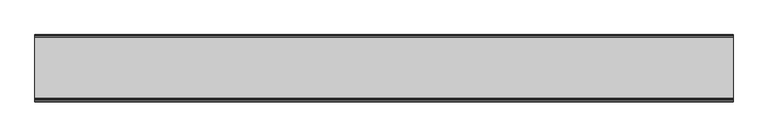
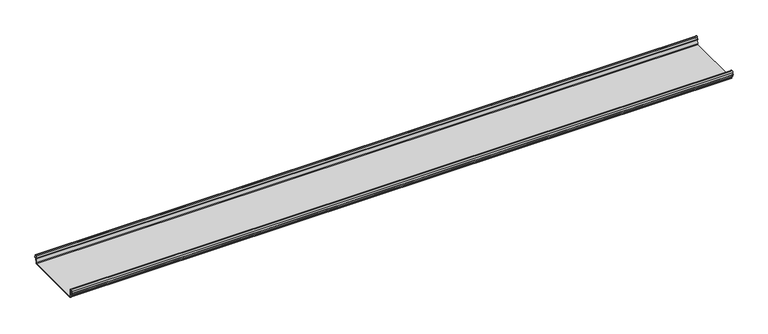
"""IFC4 building model written with IfcOpenShell, lengths in millimetres: beam geometry."""

from ifc_helpers import new_model, si_unit, frame, origin, place, context, project, spatial, polyline, circle_curve, source, transform, mapped, element, save
from ifc_brep_helpers import plane_surface, cylinder_surface, revolved_surface, advanced_brep


def beam_91bc92ca(model_context):
    return source(origin(), model_context, "Body", "AdvancedBrep", [
        advanced_brep(
        [(1838.3165514, 174.5298471, 17.4730576), (1838.3165514, 169.9958217, 21.2486363), (1838.3165514, 165.4890072, 17.6093124), (1838.3165514, 163.0420077, 6.2503755), (1838.3165514, 164.7006671, 3.7959761), (1838.3165514, 165.8698319, 2.0849359), (1838.3165514, 164.3793103, -21.3247551), (1838.3165514, 160.6848586, -24.7896475), (1838.3165514, -159.5640942, -24.7896475), (1838.3165514, -163.2568715, -21.3207217), (1838.3165514, -164.7263748, 2.1632779), (1838.3165514, -164.0984471, 3.0966958), (1838.3165514, -161.8868093, 6.1624874), (1838.3165514, -162.770348, 17.3389905), (1838.3165514, -170.0, 24.0196704), (1838.3165514, -177.229652, 17.3389905), (1838.3165514, -178.1131907, 6.1624874), (1838.3165514, -175.9015529, 3.0966958), (1838.3165514, -175.2736252, 2.1632779), (1838.3165514, -175.6653397, -4.0966758), (1838.3165514, -174.6633838, -4.0966758), (1838.3165514, -174.255975, 2.4140875), (1838.3165514, -175.661391, 4.0675496), (1838.3165514, -177.1158116, 6.08368), (1838.3165514, -176.2261211, 17.3379999), (1838.3165514, -170.0, 23.0196704), (1838.3165514, -163.767144, 17.2589936), (1838.3165514, -162.8795452, 6.0037927), (1838.3165514, -164.338609, 4.0675496), (1838.3165514, -165.744025, 2.4140875), (1838.3165514, -164.2549195, -21.3831743), (1838.3165514, -159.5640942, -25.7896475), (1838.3165514, 160.6846135, -25.7896475), (1838.3165514, 165.3772895, -21.3882975), (1838.3165514, 166.868024, 2.0247376), (1838.3165514, 164.9644432, 4.7613501), (1838.3165514, 164.0277999, 6.0779003), (1838.3165514, 166.4434849, 17.2822335), (1838.3165514, 170.0063307, 20.2496221), (1838.3165514, 173.4803249, 17.6539317), (1838.3165514, 175.5075757, 6.5459412), (1838.3165514, 176.5074356, 6.7299959), (-1838.3165514, 174.5298471, 17.4730576), (-1838.3165514, 176.5074356, 6.7299959), (-1838.3165514, 175.5075757, 6.5459412), (-1838.3165514, 173.4803249, 17.6539317), (-1838.3165514, 170.0063307, 20.2496221), (-1838.3165514, 166.4434849, 17.2822335), (-1838.3165514, 164.0277999, 6.0779003), (-1838.3165514, 164.9644432, 4.7613501), (-1838.3165514, 166.868024, 2.0247376), (-1838.3165514, 165.3772895, -21.3882975), (-1838.3165514, 160.6846135, -25.7896475), (-1838.3165514, -159.5640942, -25.7896475), (-1838.3165514, -164.2549195, -21.3831743), (-1838.3165514, -165.744025, 2.4140875), (-1838.3165514, -164.338609, 4.0675496), (-1838.3165514, -162.8795452, 6.0037927), (-1838.3165514, -163.767144, 17.2589936), (-1838.3165514, -170.0, 23.0196704), (-1838.3165514, -176.2261211, 17.3379999), (-1838.3165514, -177.1158116, 6.08368), (-1838.3165514, -175.661391, 4.0675496), (-1838.3165514, -174.255975, 2.4140875), (-1838.3165514, -174.6633838, -4.0966758), (-1838.3165514, -175.6653397, -4.0966758), (-1838.3165514, -175.2736252, 2.1632779), (-1838.3165514, -175.9015529, 3.0966958), (-1838.3165514, -178.1066021, 6.2458324), (-1838.3165514, -177.229652, 17.3389905), (-1838.3165514, -170.0, 24.0196704), (-1838.3165514, -162.770348, 17.3389905), (-1838.3165514, -161.8868093, 6.1624874), (-1838.3165514, -164.0984471, 3.0966958), (-1838.3165514, -164.7263748, 2.1632779), (-1838.3165514, -163.2568715, -21.3207217), (-1838.3165514, -159.5640942, -24.7896475), (-1838.3165514, 160.6848586, -24.7896475), (-1838.3165514, 164.3793103, -21.3247551), (-1838.3165514, 165.8698319, 2.0849359), (-1838.3165514, 164.7006671, 3.7959761), (-1838.3165514, 163.0420077, 6.2503755), (-1838.3165514, 165.4890072, 17.6093124), (-1838.3165514, 169.9958217, 21.2486363)],
        [
            (0, 1, circle_curve(frame((1838.3165514, 169.9958217, 16.6384317), z_axis=(1.0, 0.0, 0.0), x_axis=(0.0, 1.0, 0.0)), 4.6102046)),
            (1, 2, circle_curve(frame((1838.3165514, 169.9958217, 16.6384317), z_axis=(1.0, 0.0, 0.0), x_axis=(0.0, 0.2105938444020083, 0.9775736456656259)), 4.6102046)),
            (2, 3),
            (3, 4, circle_curve(frame((1838.3165514, 165.4262002, 6.073937), z_axis=(1.0, 0.0, 0.0), x_axis=(0.0, -0.9528378408797884, 0.30347989881958104)), 2.3907121)),
            (4, 5, circle_curve(frame((1838.3165514, 164.1897695, 2.1919074), z_axis=(-1.0, 0.0, 0.0), x_axis=(0.0, 0.06354246328302078, 0.9979791357337717)), 1.6834645)),
            (5, 6),
            (6, 7, circle_curve(frame((1838.3165514, 160.6867875, -21.089648), z_axis=(-1.0, 0.0, 0.0), x_axis=(0.0, 0.9999998641088232, -0.0005213274739325337)), 3.7)),
            (7, 8),
            (8, 9, circle_curve(frame((1838.3165514, -159.5640942, -21.0896475), z_axis=(-1.0, 0.0, 0.0), x_axis=(0.0, 0.062452508687223206, -0.9980479368039755)), 3.7)),
            (9, 10),
            (10, 11, circle_curve(frame((1838.3165514, -163.8044049, 2.2209698), z_axis=(-1.0, 0.0, 0.0), x_axis=(0.0, -0.9479881328261025, -0.31830567073314897)), 0.9237732)),
            (11, 12, circle_curve(frame((1838.3165514, -164.7984694, 5.9323112), z_axis=(1.0, 0.0, 0.0), x_axis=(0.0, 0.07880737243916666, -0.9968898625471294)), 2.9207441)),
            (12, 13),
            (13, 14, circle_curve(frame((1838.3165514, -170.0, 16.7674631), z_axis=(1.0, 0.0, 0.0), x_axis=(0.0, 1.0, 0.0)), 7.2522073)),
            (14, 15, circle_curve(frame((1838.3165514, -170.0, 16.7674631), z_axis=(1.0, 0.0, 0.0), x_axis=(0.0, 0.07880737243912425, 0.9968898625471327)), 7.2522073)),
            (15, 16),
            (16, 17, circle_curve(frame((1838.3165514, -175.2001089, 5.9344165), z_axis=(1.0, 0.0, 0.0), x_axis=(0.0, -0.9707819351134729, 0.2399634023290655)), 2.9231288)),
            (17, 18, circle_curve(frame((1838.3165514, -176.1025472, 2.2835649), z_axis=(-1.0, 0.0, 0.0), x_axis=(0.0, 0.14360843272178178, 0.9896345881441257)), 0.8376041)),
            (18, 19),
            (19, 20, circle_curve(frame((1838.3165514, -175.1643617, -4.0966758), z_axis=(1.0, 0.0, 0.0), x_axis=(0.0, 0.0, -1.0)), 0.5009779)),
            (20, 21),
            (21, 22, circle_curve(frame((1838.3165514, -176.1062911, 2.2653702), z_axis=(1.0, 0.0, 0.0), x_axis=(0.0, 0.9708537722163966, -0.23967259537375799)), 1.856283)),
            (22, 23, circle_curve(frame((1838.3165514, -175.2010412, 5.9323112), z_axis=(-1.0, 0.0, 0.0), x_axis=(0.0, -0.07880737243914376, -0.9968898625471312)), 1.9207441)),
            (23, 24),
            (24, 25, circle_curve(frame((1838.3165514, -170.0770494, 16.8518958), z_axis=(-1.0, 0.0, 0.0), x_axis=(0.0, -0.9999219808421378, 0.012491286112139365)), 6.1682558)),
            (25, 26, circle_curve(frame((1838.3165514, -170.0791743, 16.6817991), z_axis=(-1.0, 0.0, 0.0), x_axis=(0.0, -0.09106361391821856, 0.9958450774192508)), 6.3383658)),
            (26, 27),
            (27, 28, circle_curve(frame((1838.3165514, -164.70299, 5.8599936), z_axis=(-1.0, 0.0, 0.0), x_axis=(0.0, 0.9799562955839813, 0.19921259685401593)), 1.8291061)),
            (28, 29, circle_curve(frame((1838.3165514, -163.9886548, 2.3460727), z_axis=(1.0, 0.0, 0.0), x_axis=(0.0, 0.03871763325448635, 0.9992501913310655)), 1.7566874)),
            (29, 30),
            (30, 31, circle_curve(frame((1838.3165514, -159.5640942, -21.0896475), z_axis=(1.0, 0.0, 0.0), x_axis=(0.0, -1.0, 0.0)), 4.7)),
            (31, 32),
            (32, 33, circle_curve(frame((1838.3165514, 160.6846135, -21.0873301), z_axis=(1.0, 0.0, 0.0), x_axis=(0.0, -0.06400407594283139, -0.997949637137418)), 4.7023174)),
            (33, 34),
            (34, 35, circle_curve(frame((1838.3165514, 164.1939121, 2.1950013), z_axis=(1.0, 0.0, 0.0), x_axis=(0.0, 0.9577619201002135, -0.2875623487279797)), 2.6795268)),
            (35, 36, circle_curve(frame((1838.3165514, 165.0972859, 5.8473161), z_axis=(-1.0, 0.0, 0.0), x_axis=(0.0, -0.210759855052358, -0.9775378680635902)), 1.094061)),
            (36, 37),
            (37, 38, circle_curve(frame((1838.3165514, 170.0063307, 16.627032), z_axis=(-1.0, 0.0, 0.0), x_axis=(0.0, -1.0, 0.0)), 3.6225901)),
            (38, 39, circle_curve(frame((1838.3165514, 170.0063307, 16.627032), z_axis=(-1.0, 0.0, 0.0), x_axis=(0.0, -0.2834711363957483, 0.9589807687490417)), 3.6225901)),
            (39, 40),
            (40, 41, circle_curve(frame((1838.3165514, 176.0075057, 6.6379685), z_axis=(1.0, 0.0, 0.0), x_axis=(0.0, 0.18103878268247353, -0.9834759575937014)), 0.5083296)),
            (41, 0),
            (42, 43),
            (43, 44, circle_curve(frame((-1838.3165514, 176.0075057, 6.6379685), z_axis=(-1.0, 0.0, 0.0), x_axis=(0.0, 0.18103878268247353, -0.9834759575937014)), 0.5083296)),
            (44, 45),
            (45, 46, circle_curve(frame((-1838.3165514, 170.0063307, 16.627032), z_axis=(1.0, 0.0, 0.0), x_axis=(0.0, -0.2834711363957483, 0.9589807687490417)), 3.6225901)),
            (46, 47, circle_curve(frame((-1838.3165514, 170.0063307, 16.627032), z_axis=(1.0, 0.0, 0.0), x_axis=(0.0, -1.0, 0.0)), 3.6225901)),
            (47, 48),
            (48, 49, circle_curve(frame((-1838.3165514, 165.0972859, 5.8473161), z_axis=(1.0, 0.0, 0.0), x_axis=(0.0, -0.210759855052358, -0.9775378680635902)), 1.094061)),
            (49, 50, circle_curve(frame((-1838.3165514, 164.1939121, 2.1950013), z_axis=(-1.0, 0.0, 0.0), x_axis=(0.0, 0.9577619201002135, -0.2875623487279797)), 2.6795268)),
            (50, 51),
            (51, 52, circle_curve(frame((-1838.3165514, 160.6846135, -21.0873301), z_axis=(-1.0, 0.0, 0.0), x_axis=(0.0, -0.06400407594283139, -0.997949637137418)), 4.7023174)),
            (52, 53),
            (53, 54, circle_curve(frame((-1838.3165514, -159.5640942, -21.0896475), z_axis=(-1.0, 0.0, 0.0), x_axis=(0.0, -1.0, 0.0)), 4.7)),
            (54, 55),
            (55, 56, circle_curve(frame((-1838.3165514, -163.9886548, 2.3460727), z_axis=(-1.0, 0.0, 0.0), x_axis=(0.0, 0.03871763325448635, 0.9992501913310655)), 1.7566874)),
            (56, 57, circle_curve(frame((-1838.3165514, -164.70299, 5.8599936), z_axis=(1.0, 0.0, 0.0), x_axis=(0.0, 0.9799562955839813, 0.19921259685401593)), 1.8291061)),
            (57, 58),
            (58, 59, circle_curve(frame((-1838.3165514, -170.0791743, 16.6817991), z_axis=(1.0, 0.0, 0.0), x_axis=(0.0, -0.09106361391821856, 0.9958450774192508)), 6.3383658)),
            (59, 60, circle_curve(frame((-1838.3165514, -170.0770494, 16.8518958), z_axis=(1.0, 0.0, 0.0), x_axis=(0.0, -0.9999219808421378, 0.012491286112139365)), 6.1682558)),
            (60, 61),
            (61, 62, circle_curve(frame((-1838.3165514, -175.2010412, 5.9323112), z_axis=(1.0, 0.0, 0.0), x_axis=(0.0, -0.07880737243914376, -0.9968898625471312)), 1.9207441)),
            (62, 63, circle_curve(frame((-1838.3165514, -176.1062911, 2.2653702), z_axis=(-1.0, 0.0, 0.0), x_axis=(0.0, 0.9708537722163966, -0.23967259537375799)), 1.856283)),
            (63, 64),
            (64, 65, circle_curve(frame((-1838.3165514, -175.1643617, -4.0966758), z_axis=(-1.0, 0.0, 0.0), x_axis=(0.0, 0.0, -1.0)), 0.5009779)),
            (65, 66),
            (66, 67, circle_curve(frame((-1838.3165514, -176.1025472, 2.2835649), z_axis=(1.0, 0.0, 0.0), x_axis=(0.0, 0.14360843272178178, 0.9896345881441257)), 0.8376041)),
            (67, 68, circle_curve(frame((-1838.3165514, -175.2001089, 5.9344165), z_axis=(-1.0, 0.0, 0.0), x_axis=(0.0, -0.9707819351134729, 0.2399634023290655)), 2.9231288)),
            (68, 69),
            (69, 70, circle_curve(frame((-1838.3165514, -170.0, 16.7674631), z_axis=(-1.0, 0.0, 0.0), x_axis=(0.0, 0.07880737243912425, 0.9968898625471327)), 7.2522073)),
            (70, 71, circle_curve(frame((-1838.3165514, -170.0, 16.7674631), z_axis=(-1.0, 0.0, 0.0), x_axis=(0.0, 1.0, 0.0)), 7.2522073)),
            (71, 72),
            (72, 73, circle_curve(frame((-1838.3165514, -164.7984694, 5.9323112), z_axis=(-1.0, 0.0, 0.0), x_axis=(0.0, 0.07880737243916666, -0.9968898625471294)), 2.9207441)),
            (73, 74, circle_curve(frame((-1838.3165514, -163.8044049, 2.2209698), z_axis=(1.0, 0.0, 0.0), x_axis=(0.0, -0.9479881328261025, -0.31830567073314897)), 0.9237732)),
            (74, 75),
            (75, 76, circle_curve(frame((-1838.3165514, -159.5640942, -21.0896475), z_axis=(1.0, 0.0, 0.0), x_axis=(0.0, 0.062452508687223206, -0.9980479368039755)), 3.7)),
            (76, 77),
            (77, 78, circle_curve(frame((-1838.3165514, 160.6867875, -21.089648), z_axis=(1.0, 0.0, 0.0), x_axis=(0.0, 0.9999998641088232, -0.0005213274739325337)), 3.7)),
            (78, 79),
            (79, 80, circle_curve(frame((-1838.3165514, 164.1897695, 2.1919074), z_axis=(1.0, 0.0, 0.0), x_axis=(0.0, 0.06354246328302078, 0.9979791357337717)), 1.6834645)),
            (80, 81, circle_curve(frame((-1838.3165514, 165.4262002, 6.073937), z_axis=(-1.0, 0.0, 0.0), x_axis=(0.0, -0.9528378408797884, 0.30347989881958104)), 2.3907121)),
            (81, 82),
            (82, 83, circle_curve(frame((-1838.3165514, 169.9958217, 16.6384317), z_axis=(-1.0, 0.0, 0.0), x_axis=(0.0, 0.2105938444020083, 0.9775736456656259)), 4.6102046)),
            (83, 42, circle_curve(frame((-1838.3165514, 169.9958217, 16.6384317), z_axis=(-1.0, 0.0, 0.0), x_axis=(0.0, 1.0, 0.0)), 4.6102046)),
            (42, 0),
            (41, 43),
            (40, 44),
            (39, 45),
            (38, 46),
            (37, 47),
            (36, 48),
            (35, 49),
            (34, 50),
            (33, 51),
            (32, 52),
            (31, 53),
            (30, 54),
            (29, 55),
            (28, 56),
            (27, 57),
            (26, 58),
            (25, 59),
            (24, 60),
            (23, 61),
            (22, 62),
            (21, 63),
            (20, 64),
            (19, 65),
            (18, 66),
            (17, 67),
            (16, 68),
            (15, 69),
            (14, 70),
            (13, 71),
            (12, 72),
            (11, 73),
            (10, 74),
            (9, 75),
            (8, 76),
            (7, 77),
            (6, 78),
            (5, 79),
            (4, 80),
            (3, 81),
            (2, 82),
            (1, 83),
        ],
        [
            plane_surface(frame((1838.3165514, 176.5074356, 6.7299959), z_axis=(1.0000000000000002, 0.0, 0.0), x_axis=(0.0, -0.18103878268248824, 0.9834759575936989))),
            plane_surface(frame((-1838.3165514, 176.5074356, 6.7299959), z_axis=(-1.0000000000000002, 0.0, 0.0), x_axis=(0.0, 0.18103878268248824, -0.9834759575936989))),
            plane_surface(frame((1838.3165514, 175.5186413, 12.1015267), z_axis=(0.0, 0.9834759575937931, 0.18103878268197598), x_axis=(0.0, 0.18103878268197598, -0.9834759575937931))),
            cylinder_surface(frame((1838.3165514, 176.0075057, 6.6379685), z_axis=(-1.0, 0.0, 0.0), x_axis=(0.0, 0.18103878268247353, -0.9834759575937014)), 0.5083296),
            plane_surface(frame((1838.3165514, 174.4939503, 12.0999365), z_axis=(0.0, -0.9837509798366516, -0.17953832368168063), x_axis=(0.0, -0.17953832368168063, 0.9837509798366516))),
            revolved_surface(polyline([(-1838.3165514, 168.979430967657, 20.101026238960667), (1838.3165514, 168.979430967657, 20.101026238960667)]), (1838.3165514, 170.0063307, 16.627032), (-1.0, 0.0, 0.0)),
            revolved_surface(polyline([(-1838.3165514, 166.3837406, 16.627032), (1838.3165514, 166.3837406, 16.627032)]), (1838.3165514, 170.0063307, 16.627032), (-1.0, 0.0, 0.0)),
            plane_surface(frame((1838.3165514, 165.2356424, 11.6800669), z_axis=(0.0, 0.9775378680634891, -0.2107598550528272), x_axis=(0.0, -0.2107598550528272, -0.9775378680634891))),
            revolved_surface(polyline([(-1838.3165514, 164.86670176222157, 4.77783004252848), (1838.3165514, 164.86670176222157, 4.77783004252848)]), (1838.3165514, 165.0972859, 5.8473161), (-1.0, 0.0, 0.0)),
            cylinder_surface(frame((1838.3165514, 164.1939121, 2.1950013), z_axis=(-1.0, 0.0, 0.0), x_axis=(0.0, 0.9577619201002135, -0.2875623487279797)), 2.6795268),
            plane_surface(frame((1838.3165514, 166.1226567, -9.68178), z_axis=(0.0, 0.9979791357337514, -0.06354246328334037), x_axis=(0.0, -0.06354246328334037, -0.9979791357337514))),
            cylinder_surface(frame((1838.3165514, 160.6846135, -21.0873301), z_axis=(-1.0, 0.0, 0.0), x_axis=(0.0, -0.06400407594283139, -0.997949637137418)), 4.7023174),
            plane_surface(frame((1838.3165514, 0.5602597, -25.7896475), z_axis=(0.0, 0.0, -1.0), x_axis=(0.0, -1.0, 0.0))),
            cylinder_surface(frame((1838.3165514, -159.5640942, -21.0896475), z_axis=(-1.0, 0.0, 0.0), x_axis=(0.0, -1.0, 0.0)), 4.7),
            plane_surface(frame((1838.3165514, -164.9994722, -9.4845434), z_axis=(0.0, -0.99804793680396, -0.06245250868747398), x_axis=(0.0, -0.06245250868747398, 0.99804793680396))),
            cylinder_surface(frame((1838.3165514, -163.9886548, 2.3460727), z_axis=(-1.0, 0.0, 0.0), x_axis=(0.0, 0.03871763325448635, 0.9992501913310655)), 1.7566874),
            revolved_surface(polyline([(-1838.3165514, -162.91054596201394, 6.224374576102521), (1838.3165514, -162.91054596201394, 6.224374576102521)]), (1838.3165514, -164.70299, 5.8599936), (-1.0, 0.0, 0.0)),
            plane_surface(frame((1838.3165514, -163.3233446, 11.6313931), z_axis=(0.0, -0.9969048840807634, -0.07861712342689589), x_axis=(0.0, -0.07861712342689589, 0.9969048840807634))),
            revolved_surface(polyline([(-1838.3165514, -170.65636879608365, 22.99382948081253), (1838.3165514, -170.65636879608365, 22.99382948081253)]), (1838.3165514, -170.0791743, 16.6817991), (-1.0, 0.0, 0.0)),
            revolved_surface(polyline([(-1838.3165514, -176.244823957877, 16.928945248010663), (1838.3165514, -176.244823957877, 16.928945248010663)]), (1838.3165514, -170.0770494, 16.8518958), (-1.0, 0.0, 0.0)),
            plane_surface(frame((1838.3165514, -176.6709664, 11.71084), z_axis=(0.0, 0.9968898625470921, -0.07880737243963815), x_axis=(0.0, -0.07880737243963815, -0.9968898625470921))),
            revolved_surface(polyline([(-1838.3165514, -175.35240999564897, 4.017540878162787), (1838.3165514, -175.35240999564897, 4.017540878162787)]), (1838.3165514, -175.2010412, 5.9323112), (-1.0, 0.0, 0.0)),
            cylinder_surface(frame((1838.3165514, -176.1062911, 2.2653702), z_axis=(-1.0, 0.0, 0.0), x_axis=(0.0, 0.9708537722163966, -0.23967259537375799)), 1.856283),
            plane_surface(frame((1838.3165514, -174.4596794, -0.8412941), z_axis=(0.0, 0.9980479368039222, -0.06245250868807452), x_axis=(0.0, -0.06245250868807452, -0.9980479368039222))),
            cylinder_surface(frame((1838.3165514, -175.1643617, -4.0966758), z_axis=(-1.0, 0.0, 0.0), x_axis=(0.0, 0.0, -1.0)), 0.5009779),
            plane_surface(frame((1838.3165514, -175.4694824, -0.9666989), z_axis=(0.0, -0.9980479368040358, 0.06245250868626084), x_axis=(0.0, 0.06245250868626084, 0.9980479368040358))),
            revolved_surface(polyline([(-1838.3165514, -175.98226018795768, 3.112486888531331), (1838.3165514, -175.98226018795768, 3.112486888531331)]), (1838.3165514, -176.1025472, 2.2835649), (-1.0, 0.0, 0.0)),
            cylinder_surface(frame((1838.3165514, -175.2001089, 5.9344165), z_axis=(-1.0, 0.0, 0.0), x_axis=(0.0, -0.9707819351134729, 0.2399634023290655)), 2.9231288),
            plane_surface(frame((1838.3165514, -177.6714214, 11.7507389), z_axis=(0.0, -0.9968898625471735, 0.07880737243860966), x_axis=(0.0, 0.07880737243860966, 0.9968898625471735))),
            cylinder_surface(frame((1838.3165514, -170.0, 16.7674631), z_axis=(-1.0, 0.0, 0.0), x_axis=(0.0, 0.07880737243912425, 0.9968898625471327)), 7.2522073),
            cylinder_surface(frame((1838.3165514, -170.0, 16.7674631), z_axis=(-1.0, 0.0, 0.0), x_axis=(0.0, 1.0, 0.0)), 7.2522073),
            plane_surface(frame((1838.3165514, -162.3285786, 11.7507389), z_axis=(0.0, 0.9968898625471712, 0.07880737243863836), x_axis=(0.0, 0.07880737243863836, -0.9968898625471712))),
            cylinder_surface(frame((1838.3165514, -164.7984694, 5.9323112), z_axis=(-1.0, 0.0, 0.0), x_axis=(0.0, 0.07880737243916666, -0.9968898625471294)), 2.9207441),
            revolved_surface(polyline([(-1838.3165514, -164.6801309310228, 1.9269275519686928), (1838.3165514, -164.6801309310228, 1.9269275519686928)]), (1838.3165514, -163.8044049, 2.2209698), (-1.0, 0.0, 0.0)),
            plane_surface(frame((1838.3165514, -163.9916232, -9.5787219), z_axis=(0.0, 0.9980479368039906, 0.0624525086869835), x_axis=(0.0, 0.0624525086869835, -0.9980479368039906))),
            revolved_surface(polyline([(-1838.3165514, -159.33301991785729, -24.78242486617471), (1838.3165514, -159.33301991785729, -24.78242486617471)]), (1838.3165514, -159.5640942, -21.0896475), (-1.0, 0.0, 0.0)),
            plane_surface(frame((1838.3165514, 0.5603822, -24.7896475), z_axis=(0.0, 0.0, 1.0), x_axis=(0.0, 1.0, 0.0))),
            revolved_surface(polyline([(-1838.3165514, 164.38678699720265, -21.09157691165355), (1838.3165514, 164.38678699720265, -21.09157691165355)]), (1838.3165514, 160.6867875, -21.089648), (-1.0, 0.0, 0.0)),
            plane_surface(frame((1838.3165514, 165.1245711, -9.6199096), z_axis=(0.0, -0.9979791357337828, 0.06354246328284598), x_axis=(0.0, 0.06354246328284598, 0.9979791357337828))),
            revolved_surface(polyline([(-1838.3165514, 164.29674098117954, 3.871969846748486), (1838.3165514, 164.29674098117954, 3.871969846748486)]), (1838.3165514, 164.1897695, 2.1919074), (-1.0, 0.0, 0.0)),
            cylinder_surface(frame((1838.3165514, 165.4262002, 6.073937), z_axis=(-1.0, 0.0, 0.0), x_axis=(0.0, -0.9528378408797884, 0.30347989881958104)), 2.3907121),
            plane_surface(frame((1838.3165514, 164.2655075, 11.929844), z_axis=(0.0, -0.9775736456657296, 0.21059384440152715), x_axis=(0.0, 0.21059384440152715, 0.9775736456657296))),
            cylinder_surface(frame((1838.3165514, 169.9958217, 16.6384317), z_axis=(-1.0, 0.0, 0.0), x_axis=(0.0, 0.2105938444020083, 0.9775736456656259)), 4.6102046),
            cylinder_surface(frame((1838.3165514, 169.9958217, 16.6384317), z_axis=(-1.0, 0.0, 0.0), x_axis=(0.0, 1.0, 0.0)), 4.6102046),
        ],
        [
            (0, [[1, 2, 3, 4, 5, 6, 7, 8, 9, 10, 11, 12, 13, 14, 15, 16, 17, 18, 19, 20, 21, 22, 23, 24, 25, 26, 27, 28, 29, 30, 31, 32, 33, 34, 35, 36, 37, 38, 39, 40, 41, 42]]),
            (1, [[43, 44, 45, 46, 47, 48, 49, 50, 51, 52, 53, 54, 55, 56, 57, 58, 59, 60, 61, 62, 63, 64, 65, 66, 67, 68, 69, 70, 71, 72, 73, 74, 75, 76, 77, 78, 79, 80, 81, 82, 83, 84]]),
            (2, [[-43, 85, -42, 86]]),
            (3, [[-44, -86, -41, 87]]),
            (4, [[-45, -87, -40, 88]]),
            (5, [[-46, -88, -39, 89]]),
            (6, [[-47, -89, -38, 90]]),
            (7, [[-48, -90, -37, 91]]),
            (8, [[-49, -91, -36, 92]]),
            (9, [[-50, -92, -35, 93]]),
            (10, [[-51, -93, -34, 94]]),
            (11, [[-52, -94, -33, 95]]),
            (12, [[-53, -95, -32, 96]]),
            (13, [[-54, -96, -31, 97]]),
            (14, [[-55, -97, -30, 98]]),
            (15, [[-56, -98, -29, 99]]),
            (16, [[-57, -99, -28, 100]]),
            (17, [[-58, -100, -27, 101]]),
            (18, [[-59, -101, -26, 102]]),
            (19, [[-60, -102, -25, 103]]),
            (20, [[-61, -103, -24, 104]]),
            (21, [[-62, -104, -23, 105]]),
            (22, [[-63, -105, -22, 106]]),
            (23, [[-64, -106, -21, 107]]),
            (24, [[-65, -107, -20, 108]]),
            (25, [[-66, -108, -19, 109]]),
            (26, [[-67, -109, -18, 110]]),
            (27, [[-68, -110, -17, 111]]),
            (28, [[-69, -111, -16, 112]]),
            (29, [[-70, -112, -15, 113]]),
            (30, [[-71, -113, -14, 114]]),
            (31, [[-72, -114, -13, 115]]),
            (32, [[-73, -115, -12, 116]]),
            (33, [[-74, -116, -11, 117]]),
            (34, [[-75, -117, -10, 118]]),
            (35, [[-76, -118, -9, 119]]),
            (36, [[-77, -119, -8, 120]]),
            (37, [[-78, -120, -7, 121]]),
            (38, [[-79, -121, -6, 122]]),
            (39, [[-80, -122, -5, 123]]),
            (40, [[-81, -123, -4, 124]]),
            (41, [[-82, -124, -3, 125]]),
            (42, [[-83, -125, -2, 126]]),
            (43, [[-84, -126, -1, -85]]),
        ],
    ),
    ])


if __name__ == "__main__":
    model = new_model("IFC4")
    model_context = context("Model", 3, world=origin())
    ifc_project = project(units=[si_unit("LENGTHUNIT", "METRE", prefix="MILLI")], contexts=[model_context])
    site = spatial("IfcSite", under=ifc_project)
    building = spatial("IfcBuilding", under=site)
    placement = place(None, origin())
    beam_shape = beam_91bc92ca(model_context)
    element("IfcBeam", 1, at=placement, inside=building, context=model_context, shape_type="MappedRepresentation", body=[
        mapped(beam_shape, transform((0.0, 0.0, 0.0), x_axis=(1.0, 0.0, 0.0), y_axis=(0.0, 1.0, 0.0), z_axis=(0.0, 0.0, 1.0))),
    ])
    save(model, "model.ifc")
